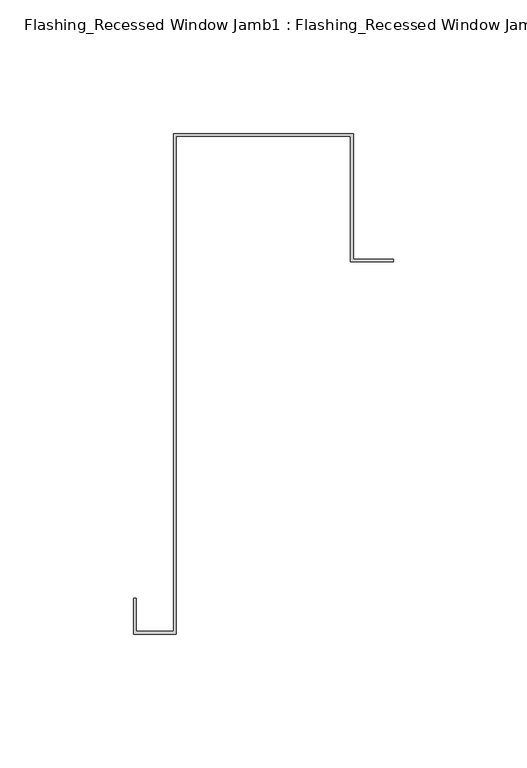
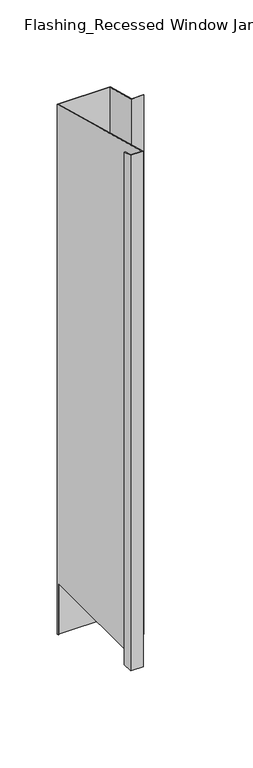
"""IFC4 building model written with IfcOpenShell, lengths in millimetres: proxy geometry, Flashing_Recessed Window Jamb1 : Flashing_Recessed Window Jamb."""

from ifc_helpers import new_model, si_unit, origin, place, context, project, spatial, faceted_brep, source, transform, mapped, element, save


def flashing_recessed_window_jamb1_flashing_recessed_window_jamb_1ed4c033(model_context):
    return source(origin(), model_context, "Body", "Brep", [
        faceted_brep([(13692.8541786, 610.7365096, -1055.1751138), (13692.8541786, 657.7344915, -1055.1751138), (13627.4791786, 657.7344915, -1055.1751138), (13627.4791786, 656.8026399, -1055.1751138), (13626.4791786, 656.8026399, -1055.1751138), (13626.4791786, 658.7344915, -1055.1751138), (13693.8541786, 658.7344915, -1055.1751138), (13693.8541786, 611.7365096, -1055.1751138), (13708.8541786, 611.7365096, -1055.1751138), (13708.8541786, 610.7365096, -1055.1751138), (13693.8541786, 658.7344915, -343.2151173), (13693.8541786, 611.7365096, -330.622046), (13626.4791786, 658.7344915, -343.2151173), (13626.4791786, 656.8026399, -985.662203), (13626.4791786, 472.3615096, -985.662203), (13626.4791786, 472.3615096, -293.2766273), (13612.4791786, 472.3615096, -293.2766273), (13612.4791786, 472.3615096, -985.662203), (13612.4791786, 484.6872381, -296.5792963), (13612.4791786, 484.6872381, -985.662203), (13611.4791786, 484.6872381, -296.5792963), (13611.4791786, 484.6872381, -985.662203), (13611.4791786, 471.3615096, -293.0086781), (13611.4791786, 471.3615096, -985.662203), (13627.4791786, 471.3615096, -293.0086781), (13627.4791786, 471.3615096, -985.662203), (13627.4791786, 657.7344915, -342.9471681), (13627.4791786, 656.8026399, -985.662203), (13692.8541786, 657.7344915, -342.9471681), (13692.8541786, 610.7365096, -330.3540968), (13708.8541786, 610.7365096, -330.3540968), (13708.8541786, 611.7365096, -330.622046)], [[[0, 1, 2, 3, 4, 5, 6, 7, 8, 9]], [[7, 6, 10, 11]], [[6, 5, 12, 10]], [[12, 5, 4, 13, 14, 15]], [[16, 15, 14, 17]], [[18, 16, 17, 19]], [[20, 18, 19, 21]], [[22, 20, 21, 23]], [[24, 22, 23, 25]], [[2, 26, 24, 25, 27, 3]], [[2, 1, 28, 26]], [[1, 0, 29, 28]], [[0, 9, 30, 29]], [[9, 8, 31, 30]], [[8, 7, 11, 31]], [[11, 10, 12, 15, 16, 18, 20, 22, 24, 26, 28, 29, 30, 31]], [[13, 27, 25, 23, 21, 19, 17, 14]], [[27, 13, 4, 3]]]),
    ])


if __name__ == "__main__":
    model = new_model("IFC4")
    model_context = context("Model", 3, world=origin())
    ifc_project = project(units=[si_unit("LENGTHUNIT", "METRE", prefix="MILLI")], contexts=[model_context])
    site = spatial("IfcSite", under=ifc_project)
    building = spatial("IfcBuilding", under=site)
    placement = place(None, origin())
    flashing_recessed_window_jamb1_flashing_recessed_window_jamb_shape = flashing_recessed_window_jamb1_flashing_recessed_window_jamb_1ed4c033(model_context)
    element("IfcBuildingElementProxy", 1, Name="Flashing_Recessed Window Jamb1 : Flashing_Recessed Window Jamb", ObjectType="Flashing_Recessed Window Jamb1 : Flashing_Recessed Window Jamb", at=placement, inside=building, context=model_context, shape_type="MappedRepresentation", body=[
        mapped(flashing_recessed_window_jamb1_flashing_recessed_window_jamb_shape, transform((0.0, 0.0, 0.0), x_axis=(1.0, 0.0, 0.0), y_axis=(0.0, 1.0, 0.0), z_axis=(0.0, 0.0, 1.0))),
    ])
    save(model, "model.ifc")
